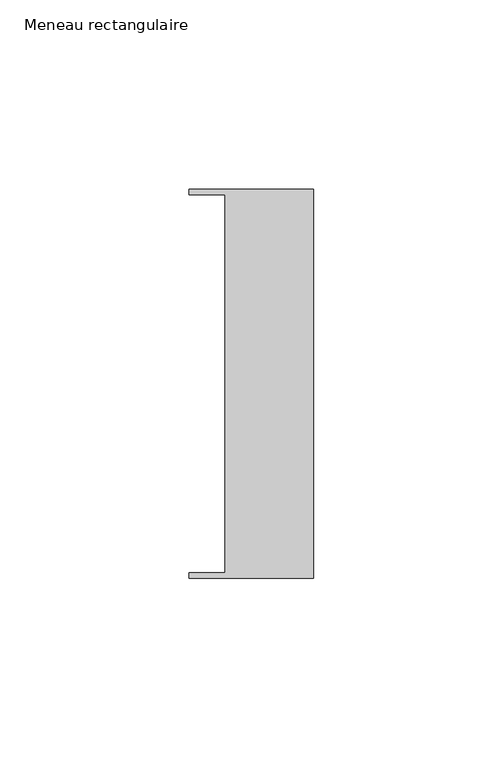
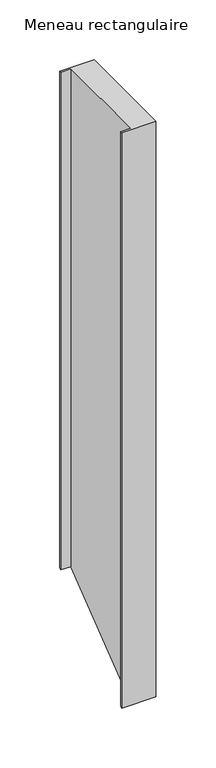
"""IFC4 building model written with IfcOpenShell, lengths in millimetres: member geometry, Meneau rectangulaire."""

from ifc_helpers import new_model, si_unit, origin, place, context, project, spatial, faceted_brep, source, transform, mapped, element, save


def meneau_rectangulaire_2f745211(model_context):
    return source(origin(), model_context, "Body", "Brep", [
        faceted_brep([(-33.0, 51.4622428, 0.0), (-33.0, 49.9614402, 0.0), (-23.4, 49.9614402, 0.0), (-23.4, -49.9505712, 0.0), (-33.0, -49.9505712, 0.0), (-33.0, -51.4712299, 0.0), (0.0, -51.4712299, 0.0), (0.0, 51.4622428, 0.0), (-33.0, 51.4622428, -505.673898), (-33.0, 49.9614402, -506.8441026), (-23.4, 49.9614402, -506.8441026), (-23.4, -49.9505712, -584.747422), (-33.0, -49.9505712, -584.747422), (-33.0, -51.4712299, -585.9331088), (0.0, -51.4712299, -585.9331088), (0.0, 51.4622428, -505.673898)], [[[0, 1, 2, 3, 4, 5, 6, 7]], [[1, 0, 8, 9]], [[2, 1, 9, 10]], [[3, 2, 10, 11]], [[4, 3, 11, 12]], [[5, 4, 12, 13]], [[6, 5, 13, 14]], [[7, 6, 14, 15]], [[0, 7, 15, 8]], [[8, 15, 14, 13, 12, 11, 10, 9]]]),
    ])


if __name__ == "__main__":
    model = new_model("IFC4")
    model_context = context("Model", 3, world=origin())
    ifc_project = project(units=[si_unit("LENGTHUNIT", "METRE", prefix="MILLI")], contexts=[model_context])
    site = spatial("IfcSite", under=ifc_project)
    building = spatial("IfcBuilding", under=site)
    placement = place(None, origin())
    meneau_rectangulaire_shape = meneau_rectangulaire_2f745211(model_context)
    element("IfcMember", 1, ObjectType="Meneau rectangulaire", at=placement, inside=building, context=model_context, shape_type="MappedRepresentation", body=[
        mapped(meneau_rectangulaire_shape, transform((0.0, 0.0, 0.0), x_axis=(1.0, 0.0, 0.0), y_axis=(0.0, 1.0, 0.0), z_axis=(0.0, 0.0, 1.0))),
    ])
    save(model, "model.ifc")
